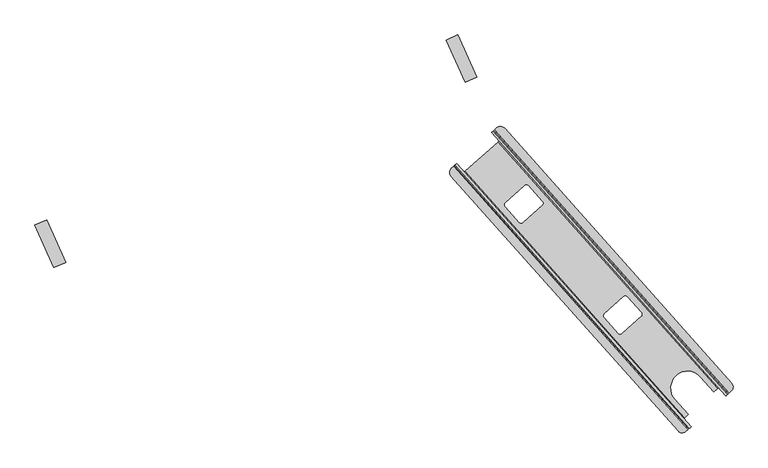
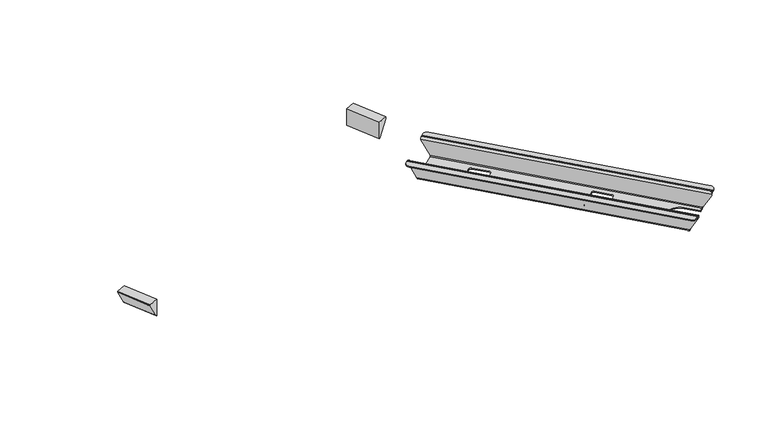
"""IFC4 building model written with IfcOpenShell, lengths in millimetres: furniture geometry."""

import ifcopenshell
import ifcopenshell.guid

model = None  # the IFC model being written
_history = None  # IfcOwnerHistory: only IFC2X3 demands one
_inside = {}  # id of a spatial element -> (the spatial element, [elements in it])
_under = {}  # id of a project, library or spatial element -> (it, [spatial elements below it])
_declared = {}  # id of a project -> (the project, [libraries it declares])
_typed = {}  # id of a type object -> (the type object, [elements of that type])
_made_of = {}  # id of a material, layer set ... -> (it, [elements and type objects made of it])


def new_model(schema):
    """Start an empty IFC model of exactly this schema.

    Asked for "IFC4X3", IfcOpenShell would pick the latest addendum, in which some entities
    have other attributes; the version numbers below select the first issue.
    IFC2X3 requires an IfcOwnerHistory on every rooted entity: one is made here for all.
    """
    global model, _history
    if schema == "IFC4X3":
        model = ifcopenshell.file(schema_version=(4, 3, 0, 0))
    else:
        model = ifcopenshell.file(schema=schema)
    _inside.clear()
    _under.clear()
    _declared.clear()
    _typed.clear()
    _made_of.clear()
    _history = None
    if model.schema == "IFC2X3":
        org = make("IfcOrganization", Name="unknown")
        user = make(
            "IfcPersonAndOrganization",
            ThePerson=make("IfcPerson", FamilyName="unknown"),
            TheOrganization=org,
        )
        app = make(
            "IfcApplication",
            ApplicationDeveloper=org,
            Version="unknown",
            ApplicationFullName="unknown",
            ApplicationIdentifier="unknown",
        )
        _history = make(
            "IfcOwnerHistory",
            OwningUser=user,
            OwningApplication=app,
            ChangeAction="ADDED",
            CreationDate=0,
        )
    return model


def make(cls, **values):
    """One entity of the class cls with the attributes given. An attribute that is None is left unset."""
    return model.create_entity(
        cls, **{name: value for name, value in values.items() if value is not None}
    )


def rooted(cls, **values):
    """An entity with a GlobalId (a new one), such as an element, a storey or a relation."""
    return make(cls, GlobalId=ifcopenshell.guid.new(), OwnerHistory=_history, **values)


def si_unit(unit_type, name, prefix=None):
    """IfcSIUnit, for example si_unit("LENGTHUNIT", "METRE", prefix="MILLI")."""
    return make("IfcSIUnit", UnitType=unit_type, Prefix=prefix, Name=name)


def assignment(units):
    """IfcUnitAssignment: the units of a project."""
    return None if units is None else make("IfcUnitAssignment", Units=units)


def point(xyz):
    """IfcCartesianPoint."""
    return None if xyz is None else make("IfcCartesianPoint", Coordinates=xyz)


def direction(xyz):
    """IfcDirection."""
    return None if xyz is None else make("IfcDirection", DirectionRatios=xyz)


def frame(location, z_axis=None, x_axis=None):
    """IfcAxis2Placement3D, a coordinate frame: its origin and axes. An axis left out is left unset."""
    return make(
        "IfcAxis2Placement3D",
        Location=point(location),
        Axis=direction(z_axis),
        RefDirection=direction(x_axis),
    )


def frame_2d(location, x_axis=None):
    """IfcAxis2Placement2D, a coordinate frame in the plane: its origin and x axis."""
    return make(
        "IfcAxis2Placement2D", Location=point(location), RefDirection=direction(x_axis)
    )


def origin():
    """The frame at (0, 0, 0) with its axes left unset."""
    return frame((0.0, 0.0, 0.0))


def place(relative_to, where):
    """IfcLocalPlacement: puts the frame where relative to a parent placement (None: the world)."""
    return make(
        "IfcLocalPlacement", PlacementRelTo=relative_to, RelativePlacement=where
    )


def context(
    kind, dimensions, precision=None, world=None, true_north=None, identifier=None
):
    """IfcGeometricRepresentationContext, for example the 3D "Model" context."""
    return make(
        "IfcGeometricRepresentationContext",
        ContextIdentifier=identifier,
        ContextType=kind,
        CoordinateSpaceDimension=dimensions,
        Precision=precision,
        WorldCoordinateSystem=world,
        TrueNorth=true_north,
    )


def project(units=None, contexts=None):
    """IfcProject with its units and contexts."""
    return rooted(
        "IfcProject",
        Name="project",
        RepresentationContexts=contexts,
        UnitsInContext=assignment(units),
    )


def spatial(cls, under=None, at=None, **own):
    """A site, building, storey or space (cls), placed at a placement, below another one or the project."""
    s = rooted(cls, ObjectPlacement=at, **own)
    if under is not None:
        _under.setdefault(under.id(), (under, []))[1].append(s)
    return s


def polyline(points):
    """IfcPolyline through the points."""
    return make("IfcPolyline", Points=[point(p) for p in points])


def circle_curve(where, radius):
    """IfcCircle in the frame where."""
    return make("IfcCircle", Position=where, Radius=radius)


def ellipse_curve(where, semi_axis1, semi_axis2):
    """IfcEllipse in the frame where."""
    return make(
        "IfcEllipse", Position=where, SemiAxis1=semi_axis1, SemiAxis2=semi_axis2
    )


def trimmed(basis, trim1, trim2, sense, master):
    """IfcTrimmedCurve: the piece of a basis curve between two trims."""
    return make(
        "IfcTrimmedCurve",
        BasisCurve=basis,
        Trim1=trim1,
        Trim2=trim2,
        SenseAgreement=sense,
        MasterRepresentation=master,
    )


def segment(curve, same_sense, transition):
    """IfcCompositeCurveSegment."""
    return make(
        "IfcCompositeCurveSegment",
        Transition=transition,
        SameSense=same_sense,
        ParentCurve=curve,
    )


def composite_curve(segments, self_intersect=None):
    """IfcCompositeCurve: segments joined end to end."""
    return make("IfcCompositeCurve", Segments=segments, SelfIntersect=self_intersect)


def outline(outer, holes=None, kind="AREA"):
    """IfcArbitraryClosedProfileDef: a profile drawn as a closed curve; with holes, ...WithVoids."""
    if holes is None:
        return make("IfcArbitraryClosedProfileDef", ProfileType=kind, OuterCurve=outer)
    return make(
        "IfcArbitraryProfileDefWithVoids",
        ProfileType=kind,
        OuterCurve=outer,
        InnerCurves=holes,
    )


def extrude(swept, where, along, depth):
    """IfcExtrudedAreaSolid: the profile swept, set in the frame where, extruded along a direction by depth."""
    return make(
        "IfcExtrudedAreaSolid",
        SweptArea=swept,
        Position=where,
        ExtrudedDirection=direction(along),
        Depth=depth,
    )


def shape(context_of_items, identifier, shape_type, items):
    """IfcShapeRepresentation: the items that make up one representation, for example the "Body"."""
    return make(
        "IfcShapeRepresentation",
        ContextOfItems=context_of_items,
        RepresentationIdentifier=identifier,
        RepresentationType=shape_type,
        Items=items,
    )


def source(mapping_origin, context_of_items, identifier, shape_type, items):
    """IfcRepresentationMap: a shape defined once, which mapped items show again and again."""
    return make(
        "IfcRepresentationMap",
        MappingOrigin=mapping_origin,
        MappedRepresentation=shape(context_of_items, identifier, shape_type, items),
    )


def transform(
    local_origin,
    x_axis=None,
    y_axis=None,
    z_axis=None,
    scale=None,
    scale2=None,
    scale3=None,
    uniform=True,
):
    """IfcCartesianTransformationOperator3D, or its non-uniform kind. x_axis, y_axis, z_axis: its Axis1, 2, 3."""
    if uniform:
        return make(
            "IfcCartesianTransformationOperator3D",
            Axis1=direction(x_axis),
            Axis2=direction(y_axis),
            LocalOrigin=point(local_origin),
            Scale=scale,
            Axis3=direction(z_axis),
        )
    return make(
        "IfcCartesianTransformationOperator3DnonUniform",
        Axis1=direction(x_axis),
        Axis2=direction(y_axis),
        LocalOrigin=point(local_origin),
        Scale=scale,
        Axis3=direction(z_axis),
        Scale2=scale2,
        Scale3=scale3,
    )


def mapped(mapping_source, mapping_target):
    """IfcMappedItem: shows the shape of a source again, moved by a transform."""
    return make(
        "IfcMappedItem", MappingSource=mapping_source, MappingTarget=mapping_target
    )


def made_of(thing, what):
    """Note that an element or type object is made of a material, layer set ...; save() writes the relation."""
    if what is not None:
        _made_of.setdefault(what.id(), (what, []))[1].append(thing)
    return thing


def element(
    cls,
    number,
    at=None,
    inside=None,
    cuts=None,
    type_object=None,
    material=None,
    context=None,
    identifier="Body",
    shape_type=None,
    held_by="IfcProductDefinitionShape",
    body=None,
    shapes=None,
    **own,
):
    """One element of the class cls, such as IfcWall. Its Tag is "e" and its number.

    at: its placement. inside: the storey or other place that contains it. cuts: it is an
    opening in that element (IfcRelVoidsElement). A single representation is given by context,
    identifier, shape_type and body (its items); several are given by shapes. held_by: the class
    of the entity that holds the representations. save() writes the other relations.
    """
    e = rooted(cls, Tag="e%d" % number, ObjectPlacement=at, **own)
    if body is not None:
        shapes = [shape(context, identifier, shape_type, body)]
    if shapes is not None:
        e.Representation = make(held_by, Representations=shapes)
    if inside is not None:
        _inside.setdefault(inside.id(), (inside, []))[1].append(e)
    if cuts is not None:
        rooted(
            "IfcRelVoidsElement", RelatingBuildingElement=cuts, RelatedOpeningElement=e
        )
    if type_object is not None:
        _typed.setdefault(type_object.id(), (type_object, []))[1].append(e)
    return made_of(e, material)


def aggregate(whole, parts):
    """IfcRelAggregates: a whole, such as a stair, and the parts it consists of."""
    return rooted("IfcRelAggregates", RelatingObject=whole, RelatedObjects=parts)


def save(model, path):
    """Write the relations noted so far, then the file.

    IfcRelAggregates (storeys below a building ...), IfcRelContainedInSpatialStructure (elements
    in a storey), IfcRelDefinesByType, IfcRelAssociatesMaterial and IfcRelDeclares: one each for
    every whole, place, type object, material and project.
    """
    for whole, parts in _under.values():
        aggregate(whole, parts)
    for where, things in _inside.values():
        rooted(
            "IfcRelContainedInSpatialStructure",
            RelatedElements=things,
            RelatingStructure=where,
        )
    for kind, things in _typed.values():
        rooted("IfcRelDefinesByType", RelatedObjects=things, RelatingType=kind)
    for what, things in _made_of.values():
        rooted("IfcRelAssociatesMaterial", RelatedObjects=things, RelatingMaterial=what)
    for by, libraries in _declared.values():
        rooted("IfcRelDeclares", RelatingContext=by, RelatedDefinitions=libraries)
    model.write(path)


def plane_surface(at):
    """IfcPlane: the flat surface through the origin of the frame at, square to its z axis."""
    return make("IfcPlane", Position=at)


def cylinder_surface(at, radius):
    """IfcCylindricalSurface: all points at the distance radius from the z axis of the frame at."""
    return make("IfcCylindricalSurface", Position=at, Radius=radius)


def revolved_surface(curve, axis_point, axis_direction):
    """IfcSurfaceOfRevolution: the curve turned about the line through axis_point along axis_direction."""
    return make(
        "IfcSurfaceOfRevolution",
        SweptCurve=make("IfcArbitraryOpenProfileDef", ProfileType="CURVE", Curve=curve),
        AxisPosition=make("IfcAxis1Placement", Location=point(axis_point), Axis=direction(axis_direction)),
    )


def advanced_brep(points, edges, surfaces, faces):
    """IfcAdvancedBrep: a solid bounded by faces that lie on surfaces and meet in shared edges.

    An edge is (start, end): straight between two places in points (the first is 0);
    or (start, end, curve); or (start, end, curve, False) where it runs against its curve.
    A face is (place in surfaces, loops), or (place, loops, False) where it looks against
    its surface's normal. A loop lists edges by number (the first is 1), with a minus sign
    where the edge is run from its end to its start. The first loop is the outer one.
    """
    corners = [point(p) for p in points]
    vertices = [make("IfcVertexPoint", VertexGeometry=c) for c in corners]
    made = []
    for start, end, *more in edges:
        made.append(
            make(
                "IfcEdgeCurve",
                EdgeStart=vertices[start],
                EdgeEnd=vertices[end],
                EdgeGeometry=more[0] if more else make("IfcPolyline", Points=[corners[start], corners[end]]),
                SameSense=more[1] if len(more) > 1 else True,
            )
        )
    hull = []
    for where, loops, *sense in faces:
        bounds = []
        for j, loop in enumerate(loops):
            ring = [make("IfcOrientedEdge", EdgeElement=made[abs(k) - 1], Orientation=k > 0) for k in loop]
            bounds.append(
                make(
                    "IfcFaceOuterBound" if j == 0 else "IfcFaceBound",
                    Bound=make("IfcEdgeLoop", EdgeList=ring),
                    Orientation=True,
                )
            )
        hull.append(make("IfcAdvancedFace", Bounds=bounds, FaceSurface=surfaces[where], SameSense=sense[0] if sense else True))
    return make("IfcAdvancedBrep", Outer=make("IfcClosedShell", CfsFaces=hull))


def furniture_ebbbd8d2(model_context):
    return source(origin(), model_context, "Body", "SolidModel", [
        advanced_brep(
        [(1566.8161363, -39.7550029, 670.7799265), (1568.3345642, -38.4046695, 672.8119265), (1569.6105021, -37.2699819, 672.8119265), (1569.6105021, -37.2699819, 675.8114043), (1568.3790414, -38.3651161, 675.8114043), (1564.5829714, -41.7409496, 670.7314043), (1564.5829714, -41.7409496, 666.8204247), (1566.8161363, -39.7550029, 666.8204247), (1491.7959658, -106.4702115, 670.7314044), (1487.9998959, -109.846045, 675.8114043), (1486.4088054, -111.2609969, 675.8114043), (1486.4088054, -111.2609969, 672.8119264), (1488.0443744, -109.8064903, 672.8119264), (1489.5628023, -108.456157, 670.7799266), (1489.5628023, -108.456157, 666.8204247), (1491.7959658, -106.4702115, 666.8204247), (997.875542, 444.4381952, 670.7799266), (996.357114, 443.0878619, 672.8119264), (994.721545, 441.6333553, 672.8119264), (994.721545, 441.6333553, 675.8114043), (996.3126355, 443.0483073, 675.8114043), (1000.1087054, 446.4241407, 670.7314044), (1000.1087054, 446.4241407, 668.5441642), (997.875542, 444.4381952, 668.5441642), (1072.895711, 511.1534026, 670.7314043), (1076.691781, 514.5292361, 675.8114043), (1077.9232417, 515.6243704, 675.8114043), (1077.9232417, 515.6243704, 672.8119265), (1076.6473039, 514.4896827, 672.8119265), (1075.1288759, 513.1393494, 670.7799265), (1075.1288759, 513.1393494, 668.5441642), (1072.895711, 511.1534026, 668.5441642), (1142.6473917, 399.9494795, 622.8122168), (1142.6473917, 399.9494795, 625.7913268), (1101.9991892, 363.4082768, 625.7913268), (1101.9991892, 363.4082768, 622.8122168), (1101.5992935, 356.2545604, 625.7913268), (1101.5992935, 356.2545604, 622.8122168), (1131.3608318, 322.7881931, 625.7913268), (1131.3608318, 322.7881931, 622.8122168), (1138.553065, 322.3861336, 625.7913268), (1138.553065, 322.3861336, 622.8122168), (1179.3803274, 359.088083, 625.7913268), (1179.3803274, 359.088083, 622.8122168), (1179.7620416, 366.2621568, 625.7913268), (1179.7620416, 366.2621568, 622.8122168), (1149.8214434, 399.5677773, 625.7913268), (1149.8214434, 399.5677773, 622.8122168), (1350.1617613, 166.6029355, 622.8122168), (1350.1617613, 166.6029355, 625.7913268), (1309.5135588, 130.0617328, 625.7913268), (1309.5135588, 130.0617328, 622.8122168), (1309.1136631, 122.9080164, 625.7913268), (1309.1136631, 122.9080164, 622.8122168), (1338.8752014, 89.4416491, 625.7913268), (1338.8752014, 89.4416491, 622.8122168), (1346.0674346, 89.0395895, 625.7913268), (1346.0674346, 89.0395895, 622.8122168), (1386.894697, 125.741539, 625.7913268), (1386.894697, 125.741539, 622.8122168), (1387.2764112, 132.9156128, 625.7913268), (1387.2764112, 132.9156128, 622.8122168), (1357.335813, 166.2212332, 625.7913268), (1357.335813, 166.2212332, 622.8122168), (1551.5891587, -22.7873037, 627.332968), (1549.2800962, -24.840746, 627.332968), (1547.3330649, -26.1659358, 625.7913268), (1539.292904, -33.3160264, 625.7913268), (1538.9030186, -32.8776066, 622.8122168), (1546.8987023, -25.7670694, 622.8122168), (1476.7986169, -89.2983044, 627.332968), (1474.4895557, -91.3517454, 627.332968), (1477.9967226, -87.0413898, 622.8122168), (1485.150292, -80.6797423, 622.8122168), (1485.5401774, -81.1181621, 625.7913268), (1478.3421294, -87.5193642, 625.7913268), (1552.0754945, -23.1793902, 628.4002168), (1549.8158986, -25.1356157, 628.3313268), (1477.0288931, -89.8648776, 628.3313268), (1474.8221605, -91.8805443, 628.4002168), (1511.116621, -1.632253, 625.7913268), (1511.116621, -1.632253, 622.8122168), (1457.3638944, -49.4343887, 625.7913268), (1457.3638944, -49.4343887, 622.8122168), (1013.2775292, 427.1189103, 628.4002168), (1013.7638392, 426.7268385, 627.3330164), (1018.4221026, 429.742819, 622.8122168), (1087.3240823, 491.0171394, 622.8122168), (1090.8634563, 495.2912928, 627.3330164), (1090.5308631, 495.8200645, 628.4002168), (1088.3241291, 493.8043966, 628.3313268), (1088.5544022, 493.2378579, 627.3330164), (1086.9998974, 491.4712472, 625.7913268), (1018.008962, 430.1178188, 625.7913268), (1016.072892, 428.7802721, 627.3330164), (1015.5371236, 429.0751346, 628.3313268)],
        [
            (0, 1, circle_curve(frame((1568.3345642, -38.4046695, 670.7799265), z_axis=(-0.6645341594952078, 0.7472578877897494, 0.0), x_axis=(0.7472578877897494, 0.6645341594952078, 0.0)), 2.0319999)),
            (1, 2),
            (2, 3),
            (3, 4),
            (4, 5, circle_curve(frame((1568.3790414, -38.3651161, 670.7314043), z_axis=(0.6645341594952078, -0.7472578877897494, 0.0), x_axis=(0.7472578877897494, 0.6645341594952078, 0.0)), 5.0799999)),
            (5, 6),
            (6, 7),
            (7, 0),
            (8, 9, circle_curve(frame((1487.9998959, -109.846045, 670.7314044), z_axis=(0.6645341594952078, -0.7472578877897494, 0.0), x_axis=(0.7472578877897494, 0.6645341594952078, 0.0)), 5.0799999)),
            (9, 10),
            (10, 11),
            (11, 12),
            (12, 13, circle_curve(frame((1488.0443744, -109.8064903, 670.7799266), z_axis=(-0.6645341594952078, 0.7472578877897494, 0.0), x_axis=(0.7472578877897494, 0.6645341594952078, 0.0)), 2.0319999)),
            (13, 14),
            (14, 15),
            (15, 8),
            (16, 17, circle_curve(frame((996.357114, 443.0878619, 670.7799266), z_axis=(0.6645341594952078, -0.7472578877897494, 0.0), x_axis=(0.7472578877897494, 0.6645341594952078, 0.0)), 2.0319999)),
            (17, 18),
            (18, 19),
            (19, 20),
            (20, 21, circle_curve(frame((996.3126355, 443.0483073, 670.7314044), z_axis=(-0.6645341594952078, 0.7472578877897494, 0.0), x_axis=(0.7472578877897494, 0.6645341594952078, 0.0)), 5.0799999)),
            (21, 22),
            (22, 23),
            (23, 16),
            (24, 25, circle_curve(frame((1076.691781, 514.5292361, 670.7314043), z_axis=(-0.6645341594952078, 0.7472578877897494, 0.0), x_axis=(0.7472578877897494, 0.6645341594952078, 0.0)), 5.0799999)),
            (25, 26),
            (26, 27),
            (27, 28),
            (28, 29, circle_curve(frame((1076.6473039, 514.4896827, 670.7799265), z_axis=(0.6645341594952078, -0.7472578877897494, 0.0), x_axis=(0.7472578877897494, 0.6645341594952078, 0.0)), 2.0319999)),
            (29, 30),
            (30, 31),
            (31, 24),
            (32, 33),
            (33, 34),
            (34, 35),
            (35, 32),
            (34, 36, circle_curve(frame((1105.3953636, 359.6303939, 625.7913268), z_axis=(0.0, 0.0, 1.0), x_axis=(0.9991385936389271, -0.04149783971758992, 0.0)), 5.08)),
            (36, 37),
            (37, 35, circle_curve(frame((1105.3953636, 359.6303939, 622.8122168), z_axis=(0.0, 0.0, -1.0), x_axis=(0.9991385936389271, -0.04149783971758992, 0.0)), 5.08)),
            (36, 38),
            (38, 39),
            (39, 37),
            (38, 40, circle_curve(frame((1135.1569019, 326.1640267, 625.7913268), z_axis=(0.0, 0.0, 1.0), x_axis=(0.9991385936389271, -0.04149783971758992, 0.0)), 5.08)),
            (40, 41),
            (41, 39, circle_curve(frame((1135.1569019, 326.1640267, 622.8122168), z_axis=(0.0, 0.0, -1.0), x_axis=(0.9991385936389271, -0.04149783971758992, 0.0)), 5.08)),
            (40, 42),
            (42, 43),
            (43, 41),
            (42, 44, circle_curve(frame((1175.9841643, 362.8659761, 625.7913268), z_axis=(0.0, 0.0, 1.0), x_axis=(0.9991385936389271, -0.04149783971758992, 0.0)), 5.08)),
            (44, 45),
            (45, 43, circle_curve(frame((1175.9841643, 362.8659761, 622.8122168), z_axis=(0.0, 0.0, -1.0), x_axis=(0.9991385936389271, -0.04149783971758992, 0.0)), 5.08)),
            (44, 46),
            (46, 47),
            (47, 45),
            (32, 47, circle_curve(frame((1146.0435661, 396.1715966, 622.8122168), z_axis=(0.0, 0.0, -1.0), x_axis=(0.9991385936389271, -0.04149783971758992, 0.0)), 5.08)),
            (46, 33, circle_curve(frame((1146.0435661, 396.1715966, 625.7913268), z_axis=(0.0, 0.0, 1.0), x_axis=(0.9991385936389271, -0.04149783971758992, 0.0)), 5.08)),
            (48, 49),
            (49, 50),
            (50, 51),
            (51, 48),
            (50, 52, circle_curve(frame((1312.9097332, 126.2838499, 625.7913268), z_axis=(0.0, 0.0, 1.0), x_axis=(0.9991385936389271, -0.04149783971758992, 0.0)), 5.08)),
            (52, 53),
            (53, 51, circle_curve(frame((1312.9097332, 126.2838499, 622.8122168), z_axis=(0.0, 0.0, -1.0), x_axis=(0.9991385936389271, -0.04149783971758992, 0.0)), 5.08)),
            (52, 54),
            (54, 55),
            (55, 53),
            (54, 56, circle_curve(frame((1342.6712715, 92.8174826, 625.7913268), z_axis=(0.0, 0.0, 1.0), x_axis=(0.9991385936389271, -0.04149783971758992, 0.0)), 5.08)),
            (56, 57),
            (57, 55, circle_curve(frame((1342.6712715, 92.8174826, 622.8122168), z_axis=(0.0, 0.0, -1.0), x_axis=(0.9991385936389271, -0.04149783971758992, 0.0)), 5.08)),
            (56, 58),
            (58, 59),
            (59, 57),
            (58, 60, circle_curve(frame((1383.4985339, 129.5194321, 625.7913268), z_axis=(0.0, 0.0, 1.0), x_axis=(0.9991385936389271, -0.04149783971758992, 0.0)), 5.08)),
            (60, 61),
            (61, 59, circle_curve(frame((1383.4985339, 129.5194321, 622.8122168), z_axis=(0.0, 0.0, -1.0), x_axis=(0.9991385936389271, -0.04149783971758992, 0.0)), 5.08)),
            (60, 62),
            (62, 63),
            (63, 61),
            (48, 63, circle_curve(frame((1353.5579357, 162.8250525, 622.8122168), z_axis=(0.0, 0.0, -1.0), x_axis=(0.9991385936389271, -0.04149783971758992, 0.0)), 5.08)),
            (62, 49, circle_curve(frame((1353.5579357, 162.8250525, 625.7913268), z_axis=(0.0, 0.0, 1.0), x_axis=(0.9991385936389271, -0.04149783971758992, 0.0)), 5.08)),
            (64, 65),
            (65, 66, ellipse_curve(frame((1547.6654826, -26.5397342, 628.3313268), z_axis=(-0.6520102594141495, 0.7331749652074543, 0.1932280828755018), x_axis=(-0.12840666164454137, 0.1443912090712098, -0.9811538656032796)), 2.5887887, 2.54)),
            (66, 67),
            (67, 68),
            (68, 69),
            (69, 64, ellipse_curve(frame((1547.6300213, -26.5894257, 628.4002168), z_axis=(0.6520102594141495, -0.7331749652074543, -0.1932280828755018), x_axis=(0.12840666164454137, -0.1443912090712098, 0.9811538656032796)), 5.695335, 5.588)),
            (70, 71),
            (71, 72, ellipse_curve(frame((1478.7280415, -87.8637461, 628.4002168), z_axis=(0.6520102594141495, -0.7331749652074543, -0.1932280828755018), x_axis=(0.12840666164454137, -0.1443912090712098, 0.9811538656032796)), 5.695335, 5.588)),
            (72, 73),
            (73, 74),
            (74, 75),
            (75, 70, ellipse_curve(frame((1478.6745471, -87.8931626, 628.3313268), z_axis=(-0.6520102594141495, 0.7331749652074543, 0.1932280828755018), x_axis=(-0.12840666164454137, 0.1443912090712098, -0.9811538656032796)), 2.5887887, 2.54)),
            (64, 76, ellipse_curve(frame((1547.8998174, -26.892807, 628.4002168), z_axis=(0.5755034638054035, -0.6471443140042399, -0.49999999999996436), x_axis=(0.33226707974758024, -0.37362894389484813, 0.8660254037844592)), 6.4524666, 5.588)),
            (76, 7),
            (6, 77),
            (77, 65, ellipse_curve(frame((1547.9178636, -26.8235325, 628.3313268), z_axis=(-0.5755034638054035, 0.6471443140042399, 0.49999999999996436), x_axis=(-0.33226707974758024, 0.37362894389484813, -0.8660254037844592)), 2.9329394, 2.54)),
            (70, 78, ellipse_curve(frame((1478.9269281, -88.1769609, 628.3313268), z_axis=(-0.5755034638054035, 0.6471443140042399, 0.49999999999996436), x_axis=(-0.33226707974758024, 0.37362894389484813, -0.8660254037844592)), 2.9329394, 2.54)),
            (78, 15),
            (14, 79),
            (79, 71, ellipse_curve(frame((1478.9978376, -88.1671274, 628.4002168), z_axis=(0.5755034638054035, -0.6471443140042399, -0.49999999999996436), x_axis=(0.33226707974758024, -0.37362894389484813, 0.8660254037844592)), 6.4524666, 5.588)),
            (80, 81),
            (81, 68),
            (67, 80),
            (80, 82, circle_curve(frame((1484.2402577, -25.5333208, 625.7913268), z_axis=(0.0, 0.0, 1.0), x_axis=(0.9991385936389271, -0.04149783971758992, 0.0)), 35.9666505)),
            (82, 83),
            (83, 81, circle_curve(frame((1484.2402577, -25.5333208, 622.8122168), z_axis=(0.0, 0.0, -1.0), x_axis=(0.9991385936389271, -0.04149783971758992, 0.0)), 35.9666505)),
            (82, 74),
            (73, 83),
            (79, 84),
            (84, 85, ellipse_curve(frame((1017.4532062, 430.8323272, 628.4002168), z_axis=(0.5755034638054086, -0.6471443140042453, 0.4999999999999514), x_axis=(0.3322670797475714, -0.37362894389483875, -0.8660254037844668)), 6.4524666, 5.588)),
            (85, 86, ellipse_curve(frame((1017.7305929, 430.5204104, 628.4002168), z_axis=(0.6533031993089804, -0.734628855155842, 0.18307204850841585), x_axis=(0.12165762988260465, -0.13680203228174131, -0.9830994990614799)), 5.6840635, 5.588)),
            (86, 72),
            (86, 87),
            (87, 69),
            (87, 88, ellipse_curve(frame((1086.6325726, 491.7947308, 628.4002168), z_axis=(0.6533031993089804, -0.734628855155842, 0.18307204850841585), x_axis=(0.12165762988260465, -0.13680203228174131, -0.9830994990614799)), 5.6840635, 5.588)),
            (88, 89, ellipse_curve(frame((1086.355186, 492.1066476, 628.4002168), z_axis=(0.5755034638054086, -0.6471443140042453, 0.4999999999999514), x_axis=(0.3322670797475714, -0.37362894389483875, -0.8660254037844668)), 6.4524666, 5.588)),
            (89, 76),
            (29, 0),
            (89, 30),
            (28, 1),
            (27, 2),
            (26, 3),
            (25, 4),
            (24, 5),
            (31, 90),
            (90, 77),
            (90, 91, ellipse_curve(frame((1086.4260941, 492.1164798, 628.3313268), z_axis=(-0.5755034638054086, 0.6471443140042453, -0.4999999999999514), x_axis=(-0.3322670797475714, 0.37362894389483875, 0.8660254037844668)), 2.9329394, 2.54)),
            (91, 92, ellipse_curve(frame((1086.6855749, 491.8246979, 628.3313268), z_axis=(-0.6533031993089804, 0.734628855155842, -0.18307204850841585), x_axis=(-0.12165762988260465, 0.13680203228174131, 0.9830994990614799)), 2.5836652, 2.54)),
            (92, 66),
            (92, 93),
            (93, 75),
            (93, 94, ellipse_curve(frame((1017.6946394, 430.4712695, 628.3313268), z_axis=(-0.6533031993089804, 0.734628855155842, -0.18307204850841585), x_axis=(-0.12165762988260465, 0.13680203228174131, 0.9830994990614799)), 2.5836652, 2.54)),
            (94, 95, ellipse_curve(frame((1017.4351586, 430.7630514, 628.3313268), z_axis=(-0.5755034638054086, 0.6471443140042453, -0.4999999999999514), x_axis=(-0.3322670797475714, 0.37362894389483875, 0.8660254037844668)), 2.9329394, 2.54)),
            (95, 78),
            (21, 8),
            (95, 22),
            (20, 9),
            (19, 10),
            (18, 11),
            (17, 12),
            (16, 13),
            (23, 84),
            (88, 91),
            (94, 85),
        ],
        [
            plane_surface(frame((1497.9141565, -101.0293233, 628.4002168), z_axis=(0.6645341594952078, -0.7472578877897494, 0.0), x_axis=(0.0, 0.0, 1.0))),
            plane_surface(frame((1006.2268961, 451.865029, 628.4002168), z_axis=(-0.6645341594952078, 0.7472578877897494, 0.0), x_axis=(0.0, 0.0, -1.0))),
            plane_surface(frame((1142.6473917, 399.9494795, 649.3460139), z_axis=(0.6685382702059691, -0.7436777402006938, 0.0), x_axis=(0.0, 0.0, -1.0))),
            revolved_surface(polyline([(1110.4709876556858, 359.41958487423466, 625.7913267999998), (1110.4709876556858, 359.41958487423466, 622.8122167999998)]), (1105.3953636, 359.6303939, 0.0), (0.0, 0.0, 0.9999999999999999)),
            plane_surface(frame((1101.5992935, 356.2545604, 649.3460139), z_axis=(0.7472578877897479, 0.6645341594952097, 0.0), x_axis=(0.0, 0.0, -1.0))),
            revolved_surface(polyline([(1140.2325259556858, 325.9532176742347, 625.7913267999998), (1140.2325259556858, 325.9532176742347, 622.8122167999998)]), (1135.1569019, 326.1640267, 0.0), (0.0, 0.0, 0.9999999999999999)),
            plane_surface(frame((1138.553065, 322.3861336, 649.3460139), z_axis=(-0.6685360411357278, 0.7436797440448196, 0.0), x_axis=(0.0, 0.0, -1.0))),
            revolved_surface(polyline([(1181.0597883556857, 362.65516707423467, 625.7913267999998), (1181.0597883556857, 362.65516707423467, 622.8122167999998)]), (1175.9841643, 362.8659761, 0.0), (0.0, 0.0, 0.9999999999999999)),
            plane_surface(frame((1179.7620416, 366.2621568, 649.3460139), z_axis=(-0.7436766280845355, -0.6685395073148749, 0.0), x_axis=(0.0, 0.0, -1.0))),
            revolved_surface(polyline([(1151.1191901556856, 395.96078757423464, 625.7913267999998), (1151.1191901556856, 395.96078757423464, 622.8122167999998)]), (1146.0435661, 396.1715966, 0.0), (0.0, 0.0, 0.9999999999999999)),
            plane_surface(frame((1350.1617613, 166.6029355, 649.3460139), z_axis=(0.6685382702059671, -0.7436777402006957, 0.0), x_axis=(0.0, 0.0, -1.0))),
            revolved_surface(polyline([(1317.9853572556856, 126.07304087423465, 625.7913267999998), (1317.9853572556856, 126.07304087423465, 622.8122167999998)]), (1312.9097332, 126.2838499, 0.0), (0.0, 0.0, 0.9999999999999999)),
            plane_surface(frame((1309.1136631, 122.9080164, 649.3460139), z_axis=(0.74725788778975, 0.6645341594952071, 0.0), x_axis=(0.0, 0.0, -1.0))),
            revolved_surface(polyline([(1347.7468955556858, 92.60667357423465, 625.7913267999998), (1347.7468955556858, 92.60667357423465, 622.8122167999998)]), (1342.6712715, 92.8174826, 0.0), (0.0, 0.0, 0.9999999999999999)),
            plane_surface(frame((1346.0674346, 89.0395895, 649.3460139), z_axis=(-0.6685360411357273, 0.7436797440448203, 0.0), x_axis=(0.0, 0.0, -1.0))),
            revolved_surface(polyline([(1388.5741579556857, 129.30862307423465, 625.7913267999998), (1388.5741579556857, 129.30862307423465, 622.8122167999998)]), (1383.4985339, 129.5194321, 0.0), (0.0, 0.0, 0.9999999999999999)),
            plane_surface(frame((1387.2764112, 132.9156128, 649.3460139), z_axis=(-0.7436766280845376, -0.6685395073148724, 0.0), x_axis=(0.0, 0.0, -1.0))),
            revolved_surface(polyline([(1358.6335597556856, 162.61424347423466, 625.7913267999998), (1358.6335597556856, 162.61424347423466, 622.8122167999998)]), (1353.5579357, 162.8250525, 0.0), (0.0, 0.0, 0.9999999999999999)),
            plane_surface(frame((1579.3904014, 4.3436054, 618.1986443), z_axis=(0.6520102594141496, -0.7331749652074544, -0.19322808287550186), x_axis=(-0.7472578877897494, -0.6645341594952079, 0.0))),
            plane_surface(frame((1580.5858388, 2.9993554, 627.332968), z_axis=(0.5755034638054035, -0.6471443140042399, -0.49999999999996436), x_axis=(-0.7472578877897494, -0.6645341594952078, 0.0))),
            plane_surface(frame((1542.7650603, -37.2204099, 649.3460139), z_axis=(-0.7472578877897533, -0.6645341594952034, 0.0), x_axis=(0.0, 0.0, -1.0))),
            revolved_surface(polyline([(1520.1759262984729, -27.025859097627574, 625.7913267999998), (1520.1759262984729, -27.025859097627574, 622.8122167999998)]), (1484.2402577, -25.5333208, 0.0), (0.0, 0.0, 0.9999999999999999)),
            plane_surface(frame((1457.3638944, -49.4343887, 649.3460139), z_axis=(0.7472578877897548, 0.6645341594952019, 0.0), x_axis=(0.0, 0.0, -1.0))),
            cylinder_surface(frame((1002.051219, 448.1516121, 628.4002168), z_axis=(0.6645341594952078, -0.7472578877897494, 0.0), x_axis=(0.7472578877897494, 0.6645341594952078, 0.0)), 5.588),
            plane_surface(frame((1493.7384794, -104.7427401, 622.8122168), z_axis=(0.0, 0.0, -1.0000000000000002), x_axis=(-0.6645341594952078, 0.7472578877897496, 0.0))),
            cylinder_surface(frame((1070.9531988, 509.4259325, 628.4002168), z_axis=(0.6645341594952078, -0.7472578877897494, 0.0), x_axis=(0.7472578877897494, 0.6645341594952078, 0.0)), 5.588),
            plane_surface(frame((1566.8161363, -39.7550029, 628.4002168), z_axis=(0.7472578877897496, 0.6645341594952077, 0.0), x_axis=(-0.6645341594952077, 0.7472578877897496, 0.0))),
            revolved_surface(polyline([(1078.1657318099594, 515.840016094335, 670.7799265), (1569.8529922366329, -37.05433618194422, 670.7799265)]), (1076.6473039, 514.4896827, 670.7799265), (-0.6645341594952078, 0.7472578877897494, 0.0)),
            plane_surface(frame((1568.3345642, -38.4046695, 672.8119265), z_axis=(0.0, 0.0, -1.0), x_axis=(-0.6645341594952077, 0.7472578877897496, 0.0))),
            plane_surface(frame((1569.6105021, -37.2699819, 672.8119265), z_axis=(0.7472578877897496, 0.6645341594952077, 0.0), x_axis=(-0.6645341594952077, 0.7472578877897496, 0.0))),
            plane_surface(frame((1569.6105021, -37.2699819, 675.8114043), z_axis=(0.0, 0.0, 1.0), x_axis=(-0.6645341594952077, 0.7472578877897496, 0.0))),
            cylinder_surface(frame((1076.691781, 514.5292361, 670.7314043), z_axis=(0.6645341594952078, -0.7472578877897494, 0.0), x_axis=(0.7472578877897494, 0.6645341594952078, 0.0)), 5.0799999),
            plane_surface(frame((1564.5829714, -41.7409496, 670.7314043), z_axis=(-0.7472578877897497, -0.6645341594952077, 0.0), x_axis=(-0.6645341594952077, 0.7472578877897497, 0.0))),
            revolved_surface(polyline([(1087.3496099185008, 494.9002276094485, 628.3313268), (1550.7904178325155, -26.231446796070145, 628.3313268)]), (1070.9976759, 509.4654859, 628.3313268), (-0.6645341594952078, 0.7472578877897494, 0.0)),
            plane_surface(frame((1562.6849363, -43.4288664, 625.7913268), z_axis=(0.0, 0.0, 1.0000000000000002), x_axis=(-0.6645341594952078, 0.7472578877897496, 0.0))),
            revolved_surface(polyline([(1018.3586744743402, 433.5467992591063, 628.3313268), (1481.799482388355, -87.5848751464124, 628.3313268)]), (1002.0067405, 448.1120575, 628.3313268), (-0.6645341594952078, 0.7472578877897494, 0.0)),
            plane_surface(frame((1491.7959658, -106.4702115, 628.3313268), z_axis=(0.7472578877897494, 0.6645341594952079, 0.0), x_axis=(-0.6645341594952079, 0.7472578877897494, 0.0))),
            cylinder_surface(frame((996.3126355, 443.0483073, 670.7314044), z_axis=(0.6645341594952078, -0.7472578877897494, 0.0), x_axis=(0.7472578877897494, 0.6645341594952078, 0.0)), 5.0799999),
            plane_surface(frame((1487.9998959, -109.846045, 675.8114043), z_axis=(-1.1020956801480518e-11, -9.800903255189851e-12, 1.0), x_axis=(-0.6645341594952077, 0.7472578877897496, 0.0))),
            plane_surface(frame((1486.4088054, -111.2609969, 675.8114043), z_axis=(-0.7472578877897496, -0.6645341594952078, 0.0), x_axis=(-0.6645341594952078, 0.7472578877897496, 0.0))),
            plane_surface(frame((1486.4088054, -111.2609969, 672.8119264), z_axis=(0.0, 0.0, -1.0000000000000002), x_axis=(-0.6645341594952078, 0.7472578877897496, 0.0))),
            revolved_surface(polyline([(997.875541953263, 444.4381952456408, 670.7799266), (1489.5628023302786, -108.45615697479889, 670.7799266)]), (996.357114, 443.0878619, 670.7799266), (-0.6645341594952078, 0.7472578877897494, 0.0)),
            plane_surface(frame((1489.5628023, -108.456157, 670.7799266), z_axis=(-0.7472578877897497, -0.6645341594952077, 0.0), x_axis=(-0.6645341594952077, 0.7472578877897497, 0.0))),
            plane_surface(frame((1094.457626, 535.9432006, 675.8114043), z_axis=(-0.5755034638054087, 0.6471443140042454, -0.49999999999995154), x_axis=(-0.7472578877897493, -0.664534159495208, 0.0))),
            plane_surface(frame((1113.0572794, 515.0281919, 627.3330164), z_axis=(-0.6533031993089804, 0.734628855155842, -0.18307204850841585), x_axis=(-0.7472578877897493, -0.664534159495208, 0.0))),
        ],
        [
            (0, [[1, 2, 3, 4, 5, 6, 7, 8]]),
            (0, [[9, 10, 11, 12, 13, 14, 15, 16]]),
            (1, [[17, 18, 19, 20, 21, 22, 23, 24]]),
            (1, [[25, 26, 27, 28, 29, 30, 31, 32]]),
            (2, [[33, 34, 35, 36]]),
            (3, [[-35, 37, 38, 39]]),
            (4, [[-38, 40, 41, 42]]),
            (5, [[-41, 43, 44, 45]]),
            (6, [[-44, 46, 47, 48]]),
            (7, [[-47, 49, 50, 51]]),
            (8, [[-50, 52, 53, 54]]),
            (9, [[-33, 55, -53, 56]]),
            (10, [[57, 58, 59, 60]]),
            (11, [[-59, 61, 62, 63]]),
            (12, [[-62, 64, 65, 66]]),
            (13, [[-65, 67, 68, 69]]),
            (14, [[-68, 70, 71, 72]]),
            (15, [[-71, 73, 74, 75]]),
            (16, [[-74, 76, 77, 78]]),
            (17, [[-57, 79, -77, 80]]),
            (18, [[81, 82, 83, 84, 85, 86]]),
            (18, [[87, 88, 89, 90, 91, 92]]),
            (19, [[-81, 93, 94, -7, 95, 96]]),
            (19, [[-87, 97, 98, -15, 99, 100]]),
            (20, [[101, 102, -84, 103]]),
            (21, [[-101, 104, 105, 106]]),
            (22, [[-105, 107, -90, 108]]),
            (23, [[-88, -100, 109, 110, 111, 112]]),
            (24, [[-85, -102, -106, -108, -89, -112, 113, 114], [-36, -39, -42, -45, -48, -51, -54, -55], [-60, -63, -66, -69, -72, -75, -78, -79]]),
            (25, [[-86, -114, 115, 116, 117, -93]]),
            (26, [[118, -8, -94, -117, 119, -30]]),
            (27, [[-1, -118, -29, 120]]),
            (28, [[-2, -120, -28, 121]]),
            (29, [[-3, -121, -27, 122]]),
            (30, [[-4, -122, -26, 123]]),
            (31, [[-5, -123, -25, 124]]),
            (32, [[-124, -32, 125, 126, -95, -6]]),
            (33, [[-82, -96, -126, 127, 128, 129]]),
            (34, [[-83, -129, 130, 131, -91, -107, -104, -103], [-34, -56, -52, -49, -46, -43, -40, -37], [-58, -80, -76, -73, -70, -67, -64, -61]]),
            (35, [[-92, -131, 132, 133, 134, -97]]),
            (36, [[135, -16, -98, -134, 136, -22]]),
            (37, [[-9, -135, -21, 137]]),
            (38, [[-10, -137, -20, 138]]),
            (39, [[-11, -138, -19, 139]]),
            (40, [[-12, -139, -18, 140]]),
            (41, [[-13, -140, -17, 141]]),
            (42, [[-141, -24, 142, -109, -99, -14]]),
            (43, [[143, -127, -125, -31, -119, -116]]),
            (43, [[144, -110, -142, -23, -136, -133]]),
            (44, [[-143, -115, -113, -111, -144, -132, -130, -128]]),
        ],
    ),
        advanced_brep(
        [(1571.5363408, -35.5573394, 675.8114043), (1575.9082939, -31.6693749, 675.8114043), (1576.8538261, -15.5325918, 675.8114043), (1100.3578166, 520.2794452, 675.8114043), (1084.2210335, 521.2249774, 675.8114043), (1079.8490804, 517.3370128, 675.8114043), (1571.5363408, -35.5573394, 672.8119265), (1079.8490804, 517.3370128, 672.8119265), (1084.2210335, 521.2249774, 672.8119265), (1100.3578166, 520.2794452, 672.8119265), (1576.8538261, -15.5325918, 672.8119265), (1575.9082939, -31.6693749, 672.8119265)],
        [
            (0, 1),
            (1, 2, circle_curve(frame((1568.3126684, -23.1282172, 675.8114043), z_axis=(0.0, 0.0, 1.0), x_axis=(0.9991385936389271, -0.04149783971758992, 0.0)), 11.43)),
            (2, 3),
            (3, 4, circle_curve(frame((1091.8166589, 512.6838197, 675.8114043), z_axis=(0.0, 0.0, 1.0), x_axis=(0.9991385936389271, -0.04149783971758992, 0.0)), 11.43)),
            (4, 5),
            (5, 0),
            (6, 7),
            (7, 8),
            (8, 9, circle_curve(frame((1091.8166589, 512.6838197, 672.8119265), z_axis=(0.0, 0.0, -1.0), x_axis=(0.9991385936389271, -0.04149783971758992, 0.0)), 11.43)),
            (9, 10),
            (10, 11, circle_curve(frame((1568.3126684, -23.1282172, 672.8119265), z_axis=(0.0, 0.0, -1.0), x_axis=(0.9991385936389271, -0.04149783971758992, 0.0)), 11.43)),
            (11, 6),
            (0, 6),
            (11, 1),
            (10, 2),
            (9, 3),
            (8, 4),
            (7, 5),
        ],
        [
            plane_surface(frame((1571.5363408, -35.5573394, 675.8114043), z_axis=(0.0, 0.0, 1.0), x_axis=(0.7472578877897368, 0.6645341594952221, 0.0))),
            plane_surface(frame((1571.5363408, -35.5573394, 672.8119265), z_axis=(0.0, 0.0, -1.0), x_axis=(-0.7472578877897368, -0.6645341594952221, 0.0))),
            plane_surface(frame((1571.5363408, -35.5573394, 675.8114043), z_axis=(0.6645341594952221, -0.7472578877897368, 0.0), x_axis=(0.0, 0.0, -1.0))),
            cylinder_surface(frame((1568.3126684, -23.1282172, 672.8119265), z_axis=(0.0, 0.0, 0.9999999999999999), x_axis=(0.9991385936389271, -0.04149783971758992, 0.0)), 11.43),
            plane_surface(frame((1576.8538261, -15.5325918, 675.8114043), z_axis=(0.7472578877897549, 0.6645341594952018, 0.0), x_axis=(0.0, 0.0, -1.0))),
            cylinder_surface(frame((1091.8166589, 512.6838197, 672.8119265), z_axis=(0.0, 0.0, 0.9999999999999999), x_axis=(0.9991385936389271, -0.04149783971758992, 0.0)), 11.43),
            plane_surface(frame((1084.2210335, 521.2249774, 675.8114043), z_axis=(-0.664534159495206, 0.7472578877897511, 0.0), x_axis=(0.0, 0.0, -1.0))),
            plane_surface(frame((1079.8490804, 517.3370128, 675.8114043), z_axis=(-0.7472578877897529, -0.664534159495204, 0.0), x_axis=(0.0, 0.0, -1.0))),
        ],
        [
            (0, [[1, 2, 3, 4, 5, 6]]),
            (1, [[7, 8, 9, 10, 11, 12]]),
            (2, [[-1, 13, -12, 14]]),
            (3, [[-2, -14, -11, 15]]),
            (4, [[-3, -15, -10, 16]]),
            (5, [[-4, -16, -9, 17]]),
            (6, [[-5, -17, -8, 18]]),
            (7, [[-6, -18, -7, -13]]),
        ],
    ),
        advanced_brep(
        [(1484.8426852, -112.6537428, 675.8114043), (993.1554248, 440.2406094, 675.8114043), (988.6603315, 436.2431367, 675.8114043), (987.7147993, 420.1063536, 675.8114043), (1464.2108088, -115.7056834, 675.8114043), (1480.3475919, -116.6512156, 675.8114043), (1484.8426852, -112.6537428, 672.8119265), (1480.3475919, -116.6512156, 672.8119265), (1464.2108088, -115.7056834, 672.8119265), (987.7147993, 420.1063536, 672.8119265), (988.6603315, 436.2431367, 672.8119265), (993.1554248, 440.2406094, 672.8119265)],
        [
            (0, 1),
            (1, 2),
            (2, 3, circle_curve(frame((996.2559569, 427.701979, 675.8114043), z_axis=(0.0, 0.0, 1.0), x_axis=(0.9991385936389271, -0.04149783971758992, 0.0)), 11.43)),
            (3, 4),
            (4, 5, circle_curve(frame((1472.7519664, -108.1100579, 675.8114043), z_axis=(0.0, 0.0, 1.0), x_axis=(0.9991385936389271, -0.04149783971758992, 0.0)), 11.43)),
            (5, 0),
            (6, 7),
            (7, 8, circle_curve(frame((1472.7519664, -108.1100579, 672.8119265), z_axis=(0.0, 0.0, -1.0), x_axis=(0.9991385936389271, -0.04149783971758992, 0.0)), 11.43)),
            (8, 9),
            (9, 10, circle_curve(frame((996.2559569, 427.701979, 672.8119265), z_axis=(0.0, 0.0, -1.0), x_axis=(0.9991385936389271, -0.04149783971758992, 0.0)), 11.43)),
            (10, 11),
            (11, 6),
            (0, 6),
            (11, 1),
            (10, 2),
            (9, 3),
            (8, 4),
            (7, 5),
        ],
        [
            plane_surface(frame((1571.5363408, -35.5573394, 675.8114043), z_axis=(0.0, 0.0, 1.0), x_axis=(0.7472578877897368, 0.6645341594952221, 0.0))),
            plane_surface(frame((1571.5363408, -35.5573394, 672.8119265), z_axis=(0.0, 0.0, -1.0), x_axis=(-0.7472578877897368, -0.6645341594952221, 0.0))),
            plane_surface(frame((1484.8426852, -112.6537428, 675.8114043), z_axis=(0.7472578877897476, 0.6645341594952099, 0.0), x_axis=(0.0, 0.0, -1.0))),
            plane_surface(frame((993.1554248, 440.2406094, 675.8114043), z_axis=(-0.6645341594951764, 0.7472578877897774, 0.0), x_axis=(0.0, 0.0, -1.0))),
            cylinder_surface(frame((996.2559569, 427.701979, 0.0), z_axis=(0.0, 0.0, 0.9999999999999999), x_axis=(0.9991385936389271, -0.04149783971758992, 0.0)), 11.43),
            plane_surface(frame((987.7147993, 420.1063536, 675.8114043), z_axis=(-0.7472578877897454, -0.6645341594952124, 0.0), x_axis=(0.0, 0.0, -1.0))),
            cylinder_surface(frame((1472.7519664, -108.1100579, 0.0), z_axis=(0.0, 0.0, 0.9999999999999999), x_axis=(0.9991385936389271, -0.04149783971758992, 0.0)), 11.43),
            plane_surface(frame((1480.3475919, -116.6512156, 675.8114043), z_axis=(0.6645341594952152, -0.7472578877897429, 0.0), x_axis=(0.0, 0.0, -1.0))),
        ],
        [
            (0, [[1, 2, 3, 4, 5, 6]]),
            (1, [[7, 8, 9, 10, 11, 12]]),
            (2, [[-1, 13, -12, 14]]),
            (3, [[-2, -14, -11, 15]]),
            (4, [[-3, -15, -10, 16]]),
            (5, [[-4, -16, -9, 17]]),
            (6, [[-5, -17, -8, 18]]),
            (7, [[-6, -18, -7, -13]]),
        ],
    ),
        extrude(outline(composite_curve([segment(polyline([(-0.7180343, -0.192772), (42.6124131, 24.8804385)]), True, "CONTINUOUS"), segment(trimmed(circle_curve(frame_2d((43.4100789, 23.5019467)), 1.5926425), [point((42.6124131, 24.8804385))], [point((43.4100789, 25.0945893))], False, "CARTESIAN"), True, "CONTINUOUS"), segment(polyline([(43.4100789, 25.0945893), (47.0805507, 25.0945893), (47.0805507, -1.5820997), (-1.4259414, -1.5820997)]), True, "CONTINUOUS"), segment(trimmed(circle_curve(frame_2d((0.0, -1.433648)), 1.433648), [point((-1.4259414, -1.5820997))], [point((-0.7180343, -0.192772))], False, "CARTESIAN"), True, "CONTINUOUS")], self_intersect=False)), frame((1019.1734387, 617.3029104, 628.7308536), z_axis=(-0.41074125966516173, 0.9117519496050865, 0.0), x_axis=(0.0, 0.0, 1.0)), (0.0, 0.0, 1.0), 97.4054697),
        extrude(outline(composite_curve([segment(trimmed(circle_curve(frame_2d((50.0618973, -1.433648)), 1.433648), [point((50.0618972, 0.0))], [point((51.370454, -0.8479641))], False, "CARTESIAN"), True, "CONTINUOUS"), segment(polyline([(51.370454, -0.8479641), (9.386268, -25.1421588), (-3.9745966, -2.0524853), (-0.7976658, -0.2141508)]), True, "CONTINUOUS"), segment(trimmed(circle_curve(frame_2d((-1e-07, -1.5926425)), 1.5926425), [point((-0.7976658, -0.2141508))], [point((0.0, 0.0))], False, "CARTESIAN"), True, "CONTINUOUS"), segment(polyline([(0.0, 0.0), (50.0618972, 0.0)]), True, "CONTINUOUS")], self_intersect=False)), frame((154.8641339, 227.9343662, 671.3432667), z_axis=(-0.4107413293211855, 0.9117519182252734, 0.0), x_axis=(0.4566456509090456, 0.20571740835841787, -0.8655374615833507)), (0.0, 0.0, 1.0), 97.4054697),
    ])


if __name__ == "__main__":
    model = new_model("IFC4")
    model_context = context("Model", 3, world=origin())
    ifc_project = project(units=[si_unit("LENGTHUNIT", "METRE", prefix="MILLI")], contexts=[model_context])
    site = spatial("IfcSite", under=ifc_project)
    building = spatial("IfcBuilding", under=site)
    placement = place(None, origin())
    furniture_shape = furniture_ebbbd8d2(model_context)
    element("IfcFurniture", 1, at=placement, inside=building, context=model_context, shape_type="MappedRepresentation", body=[
        mapped(furniture_shape, transform((0.0, 0.0, 0.0), x_axis=(1.0, 0.0, 0.0), y_axis=(0.0, 1.0, 0.0), z_axis=(0.0, 0.0, 1.0))),
    ])
    save(model, "model.ifc")
